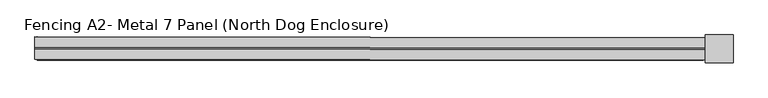
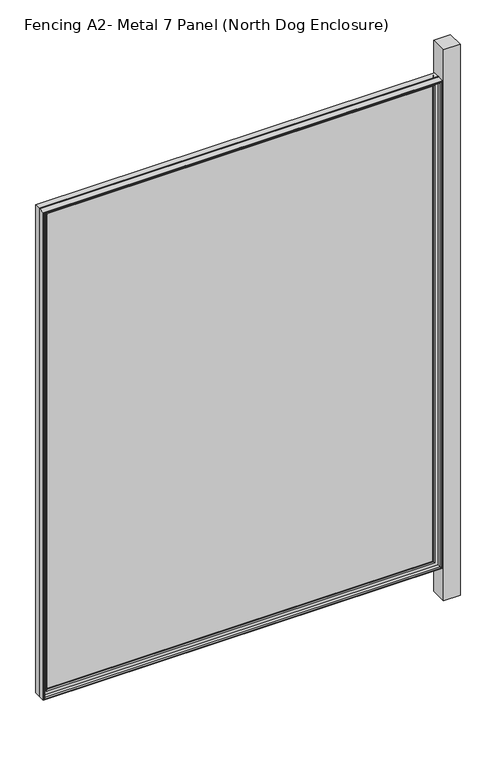
"""IFC4 building model written with IfcOpenShell, lengths in millimetres: railing geometry, Fencing A2- Metal 7 Panel (North Dog Enclosure)."""

from ifc_helpers import new_model, si_unit, frame, origin, place, context, project, spatial, polyline, ellipse_curve, outline, extrude, source, transform, mapped, element, save
from ifc_brep_helpers import plane_surface, cylinder_surface, advanced_brep


def fencing_a2_metal_7_panel_north_dog_enclosure_6a56d0d4(model_context):
    return source(origin(), model_context, "Body", "SolidModel", [
        advanced_brep(
        [(28332.8317404, 2298.5933654, 908.05), (28336.010507, 2301.7645943, 911.225), (28336.010507, 2301.7645943, -657.225), (28332.8317404, 2298.5933654, -654.05), (27123.1613615, 2303.2042828, -657.225), (27126.3325904, 2300.0255162, -654.05), (27119.9863637, 2303.2080516, -660.4), (27119.9863637, 2303.2080516, 914.4), (28339.1855048, 2301.7608255, 914.4), (28339.1855048, 2301.7608255, -660.4), (27123.1613615, 2303.2042828, 911.225), (27126.3325904, 2300.0255162, 908.05), (28332.820434, 2289.0683721, -654.05), (27126.321284, 2290.5005229, -654.05), (28332.820434, 2289.0683721, 908.05), (27126.321284, 2290.5005229, 908.05), (28323.2954407, 2289.0796785, -644.525), (28323.2954407, 2289.0796785, 898.525), (27135.8462773, 2290.4892165, 898.525), (27135.8462773, 2290.4892165, -644.525), (28320.1166741, 2285.9084496, 895.35), (28320.1166741, 2285.9084496, -641.35), (27139.0175062, 2287.3104499, -641.35), (27139.0175062, 2287.3104499, 895.35), (28320.1129053, 2282.7334518, -641.35), (27139.0137374, 2284.1354521, -641.35), (28320.1129053, 2282.7334518, 895.35), (27139.0137374, 2284.1354521, 895.35), (28339.1628919, 2282.7108389, -660.4), (28339.1628919, 2282.7108389, 914.4), (27119.9637508, 2284.158065, 914.4), (27119.9637508, 2284.158065, -660.4)],
        [
            (0, 1, ellipse_curve(frame((28336.0067382, 2298.5895966, 911.225), z_axis=(0.7071062830160321, -0.0008393564505195757, -0.7071067811865475), x_axis=(0.707106283016032, -0.0008393564505195756, 0.7071067811865476)), 4.4901281, 3.175)),
            (1, 2),
            (2, 3, ellipse_curve(frame((28336.0067382, 2298.5895966, -657.225), z_axis=(0.7071062830160321, -0.0008393564505195757, 0.7071067811865475), x_axis=(-0.707106283016032, 0.0008393564505195756, 0.7071067811865476)), 4.4901281, 3.175)),
            (3, 0),
            (2, 4),
            (4, 5, ellipse_curve(frame((27123.1575927, 2300.029285, -657.225), z_axis=(0.7071062830160321, -0.0008393564505195757, -0.7071067811865475), x_axis=(0.7071062830160322, -0.0008393564505195758, 0.7071067811865474)), 4.4901281, 3.175)),
            (5, 3),
            (6, 7),
            (7, 8),
            (8, 9),
            (9, 6),
            (1, 10),
            (10, 4),
            (10, 11, ellipse_curve(frame((27123.1575927, 2300.029285, 911.225), z_axis=(-0.7071062830160321, 0.0008393564505195757, -0.7071067811865475), x_axis=(0.707106283016032, -0.0008393564505195756, -0.7071067811865476)), 4.4901281, 3.175)),
            (11, 5),
            (12, 3),
            (5, 13),
            (13, 12),
            (14, 0),
            (12, 14),
            (11, 15),
            (15, 13),
            (15, 14),
            (16, 17),
            (17, 18),
            (18, 19),
            (19, 16),
            (20, 17, ellipse_curve(frame((28323.2916719, 2285.9046808, 898.525), z_axis=(0.7071062830160321, -0.0008393564505195757, -0.7071067811865475), x_axis=(0.707106283016032, -0.0008393564505195756, 0.7071067811865476)), 4.4901281, 3.175)),
            (16, 21, ellipse_curve(frame((28323.2916719, 2285.9046808, -644.525), z_axis=(0.7071062830160321, -0.0008393564505195757, 0.7071067811865475), x_axis=(-0.707106283016032, 0.0008393564505195756, 0.7071067811865476)), 4.4901281, 3.175)),
            (21, 20),
            (19, 22, ellipse_curve(frame((27135.8425084, 2287.3142187, -644.525), z_axis=(0.7071062830160321, -0.0008393564505195757, -0.7071067811865475), x_axis=(0.7071062830160322, -0.0008393564505195758, 0.7071067811865474)), 4.4901281, 3.175)),
            (22, 21),
            (18, 23, ellipse_curve(frame((27135.8425084, 2287.3142187, 898.525), z_axis=(-0.7071062830160321, 0.0008393564505195757, -0.7071067811865475), x_axis=(0.707106283016032, -0.0008393564505195756, -0.7071067811865476)), 4.4901281, 3.175)),
            (23, 22),
            (24, 21),
            (22, 25),
            (25, 24),
            (26, 20),
            (24, 26),
            (23, 27),
            (27, 25),
            (28, 29),
            (29, 30),
            (30, 31),
            (31, 28),
            (27, 26),
            (8, 29),
            (28, 9),
            (31, 6),
            (30, 7),
            (0, 11),
            (20, 23),
        ],
        [
            cylinder_surface(frame((28336.0067382, 2298.5895966, 914.4), z_axis=(0.0, 0.0, 1.0), x_axis=(0.9999992954805008, -0.0011870292759906809, 0.0)), 3.175),
            cylinder_surface(frame((28339.181736, 2298.5858277, -657.225), z_axis=(0.9999992954805008, -0.0011870292759901258, 0.0), x_axis=(0.0, 0.0, -1.0)), 3.175),
            plane_surface(frame((28339.1855048, 2301.7608255, 914.4), z_axis=(0.0011870292759906809, 0.9999992954805008, 0.0), x_axis=(0.0, 0.0, -1.0))),
            cylinder_surface(frame((27123.1575927, 2300.029285, -660.4), z_axis=(0.0, 0.0, -1.0), x_axis=(-0.9999992954805008, 0.0011870292759895706, 0.0)), 3.175),
            plane_surface(frame((28332.8317404, 2298.5933654, -654.05), z_axis=(0.0, 0.0, 1.0), x_axis=(-0.9999992954805008, 0.0011870292759901305, 0.0))),
            plane_surface(frame((28332.8317404, 2298.5933654, 908.05), z_axis=(-0.9999992954805008, 0.0011870292759906809, 0.0), x_axis=(0.0, 0.0, -1.0))),
            plane_surface(frame((27126.3325904, 2300.0255162, -654.05), z_axis=(0.9999992954805008, -0.0011870292759895706, 0.0), x_axis=(0.0, 0.0, 1.0))),
            plane_surface(frame((28332.820434, 2289.0683721, 908.05), z_axis=(0.0011870292759906809, 0.9999992954805008, 0.0), x_axis=(0.0, 0.0, -1.0))),
            cylinder_surface(frame((28323.2916719, 2285.9046808, 914.4), z_axis=(0.0, 0.0, 1.0), x_axis=(0.9999992954805008, -0.0011870292759906809, 0.0)), 3.175),
            cylinder_surface(frame((28339.1666607, 2285.8858367, -644.525), z_axis=(0.9999992954805008, -0.0011870292759901258, 0.0), x_axis=(0.0, 0.0, -1.0)), 3.175),
            cylinder_surface(frame((27135.8425084, 2287.3142187, -660.4), z_axis=(0.0, 0.0, -1.0), x_axis=(-0.9999992954805008, 0.0011870292759895706, 0.0)), 3.175),
            plane_surface(frame((28320.1166741, 2285.9084496, -641.35), z_axis=(0.0, 0.0, 1.0), x_axis=(-0.9999992954805008, 0.001187029275990133, 0.0))),
            plane_surface(frame((28320.1166741, 2285.9084496, 895.35), z_axis=(-0.9999992954805008, 0.0011870292759906809, 0.0), x_axis=(0.0, 0.0, -1.0))),
            plane_surface(frame((27139.0175062, 2287.3104499, -641.35), z_axis=(0.9999992954805008, -0.0011870292759895706, 0.0), x_axis=(0.0, 0.0, 1.0))),
            plane_surface(frame((28320.1129053, 2282.7334518, 895.35), z_axis=(-0.0011870292759906809, -0.9999992954805008, 0.0), x_axis=(0.0, 0.0, -1.0))),
            plane_surface(frame((28339.1628919, 2282.7108389, 914.4), z_axis=(0.9999992954805008, -0.0011870292759906809, 0.0), x_axis=(0.0, 0.0, -1.0))),
            plane_surface(frame((28339.1628919, 2282.7108389, -660.4), z_axis=(0.0, 0.0, -1.0), x_axis=(-0.9999992954805008, 0.0011870292759901258, 0.0))),
            plane_surface(frame((27119.9637508, 2284.158065, -660.4), z_axis=(-0.9999992954805008, 0.0011870292759895706, 0.0), x_axis=(0.0, 0.0, 1.0))),
            cylinder_surface(frame((27119.9825949, 2300.0330538, 911.225), z_axis=(-0.9999992954805008, 0.0011870292759901258, 0.0), x_axis=(0.0, 0.0, 1.0)), 3.175),
            plane_surface(frame((27126.3325904, 2300.0255162, 908.05), z_axis=(0.0, 0.0, -1.0), x_axis=(0.9999992954805008, -0.0011870292759901268, 0.0))),
            cylinder_surface(frame((27119.9675196, 2287.3330628, 898.525), z_axis=(-0.9999992954805008, 0.0011870292759901258, 0.0), x_axis=(0.0, 0.0, 1.0)), 3.175),
            plane_surface(frame((27139.0175062, 2287.3104499, 895.35), z_axis=(0.0, 0.0, -1.0), x_axis=(0.9999992954805008, -0.001187029275990133, 0.0))),
            plane_surface(frame((27119.9637508, 2284.158065, 914.4), z_axis=(0.0, 0.0, 1.0), x_axis=(0.9999992954805008, -0.0011870292759901258, 0.0))),
        ],
        [
            (0, [[1, 2, 3, 4]]),
            (1, [[-3, 5, 6, 7]]),
            (2, [[8, 9, 10, 11], [-2, 12, 13, -5]]),
            (3, [[-6, -13, 14, 15]]),
            (4, [[16, -7, 17, 18]]),
            (5, [[19, -4, -16, 20]]),
            (6, [[-17, -15, 21, 22]]),
            (7, [[-22, 23, -20, -18], [24, 25, 26, 27]]),
            (8, [[28, -24, 29, 30]]),
            (9, [[-29, -27, 31, 32]]),
            (10, [[-31, -26, 33, 34]]),
            (11, [[35, -32, 36, 37]]),
            (12, [[38, -30, -35, 39]]),
            (13, [[-36, -34, 40, 41]]),
            (14, [[42, 43, 44, 45], [-41, 46, -39, -37]]),
            (15, [[47, -42, 48, -10]]),
            (16, [[-48, -45, 49, -11]]),
            (17, [[-49, -44, 50, -8]]),
            (18, [[-14, -12, -1, 51]]),
            (19, [[-21, -51, -19, -23]]),
            (20, [[-33, -25, -28, 52]]),
            (21, [[-40, -52, -38, -46]]),
            (22, [[-50, -43, -47, -9]]),
        ],
    ),
        advanced_brep(
        [(28339.159123, 2279.5358412, 914.4), (28339.1365101, 2260.4858546, 914.4), (28339.1365101, 2260.4858546, -660.4), (28339.159123, 2279.5358412, -660.4), (27119.9373691, 2261.9330807, -660.4), (27119.959982, 2280.9830673, -660.4), (27119.9373691, 2261.9330807, 914.4), (27123.1123668, 2261.9293119, -657.225), (27123.1123668, 2261.9293119, 911.225), (28335.9615124, 2260.4896234, 911.225), (28335.9615124, 2260.4896234, -657.225), (27119.959982, 2280.9830673, 914.4), (28320.1091365, 2279.5584541, -641.35), (28320.1091365, 2279.5584541, 895.35), (27139.0099686, 2280.9604543, 895.35), (27139.0099686, 2280.9604543, -641.35), (28320.1053676, 2276.3834563, 895.35), (28320.1053676, 2276.3834563, -641.35), (27139.0061998, 2277.7854566, -641.35), (27139.0061998, 2277.7854566, 895.35), (28323.2765966, 2273.2046897, -644.525), (27135.8274332, 2274.6142276, -644.525), (28323.2765966, 2273.2046897, 898.525), (27135.8274332, 2274.6142276, 898.525), (28332.8015899, 2273.1933833, -654.05), (28332.8015899, 2273.1933833, 908.05), (27126.3024399, 2274.6255341, 908.05), (27126.3024399, 2274.6255341, -654.05), (28332.7902834, 2263.66839, 908.05), (28332.7902834, 2263.66839, -654.05), (27126.2911334, 2265.1005408, -654.05), (27126.2911334, 2265.1005408, 908.05)],
        [
            (0, 1),
            (1, 2),
            (2, 3),
            (3, 0),
            (2, 4),
            (4, 5),
            (5, 3),
            (1, 6),
            (6, 4),
            (7, 8),
            (8, 9),
            (9, 10),
            (10, 7),
            (6, 11),
            (11, 5),
            (11, 0),
            (12, 13),
            (13, 14),
            (14, 15),
            (15, 12),
            (16, 13),
            (12, 17),
            (17, 16),
            (15, 18),
            (18, 17),
            (14, 19),
            (19, 18),
            (20, 17, ellipse_curve(frame((28323.2803654, 2276.3796875, -644.525), z_axis=(-0.7071062830160321, 0.0008393564505195757, -0.7071067811865475), x_axis=(0.7071062830160322, -0.0008393564505195758, -0.7071067811865474)), 4.4901281, 3.175)),
            (18, 21, ellipse_curve(frame((27135.831202, 2277.7892254, -644.525), z_axis=(0.7071062830160321, -0.0008393564505195757, -0.7071067811865475), x_axis=(0.7071062830160322, -0.0008393564505195758, 0.7071067811865474)), 4.4901281, 3.175)),
            (21, 20),
            (22, 16, ellipse_curve(frame((28323.2803654, 2276.3796875, 898.525), z_axis=(0.7071062830160321, -0.0008393564505195757, -0.7071067811865475), x_axis=(0.707106283016032, -0.0008393564505195756, 0.7071067811865476)), 4.4901281, 3.175)),
            (20, 22),
            (19, 23, ellipse_curve(frame((27135.831202, 2277.7892254, 898.525), z_axis=(-0.7071062830160321, 0.0008393564505195757, -0.7071067811865475), x_axis=(0.707106283016032, -0.0008393564505195756, -0.7071067811865476)), 4.4901281, 3.175)),
            (23, 21),
            (24, 25),
            (25, 26),
            (26, 27),
            (27, 24),
            (23, 22),
            (28, 25),
            (24, 29),
            (29, 28),
            (27, 30),
            (30, 29),
            (26, 31),
            (31, 30),
            (10, 29, ellipse_curve(frame((28335.9652812, 2263.6646212, -657.225), z_axis=(-0.7071062830160321, 0.0008393564505195757, -0.7071067811865475), x_axis=(0.7071062830160322, -0.0008393564505195758, -0.7071067811865474)), 4.4901281, 3.175)),
            (30, 7, ellipse_curve(frame((27123.1161357, 2265.1043096, -657.225), z_axis=(0.7071062830160321, -0.0008393564505195757, -0.7071067811865475), x_axis=(0.7071062830160322, -0.0008393564505195758, 0.7071067811865474)), 4.4901281, 3.175)),
            (9, 28, ellipse_curve(frame((28335.9652812, 2263.6646212, 911.225), z_axis=(0.7071062830160321, -0.0008393564505195757, -0.7071067811865475), x_axis=(0.707106283016032, -0.0008393564505195756, 0.7071067811865476)), 4.4901281, 3.175)),
            (31, 8, ellipse_curve(frame((27123.1161357, 2265.1043096, 911.225), z_axis=(-0.7071062830160321, 0.0008393564505195757, -0.7071067811865475), x_axis=(0.707106283016032, -0.0008393564505195756, -0.7071067811865476)), 4.4901281, 3.175)),
            (16, 19),
            (28, 31),
        ],
        [
            plane_surface(frame((28339.1365101, 2260.4858546, 914.4), z_axis=(0.9999992954805008, -0.0011870292759906809, 0.0), x_axis=(0.0, 0.0, -1.0))),
            plane_surface(frame((28339.1365101, 2260.4858546, -660.4), z_axis=(0.0, 0.0, -1.0), x_axis=(-0.9999992954805008, 0.0011870292759901258, 0.0))),
            plane_surface(frame((28335.9615124, 2260.4896234, 911.225), z_axis=(-0.0011870292759906809, -0.9999992954805008, 0.0), x_axis=(0.0, 0.0, -1.0))),
            plane_surface(frame((27119.9373691, 2261.9330807, -660.4), z_axis=(-0.9999992954805008, 0.0011870292759895706, 0.0), x_axis=(0.0, 0.0, 1.0))),
            plane_surface(frame((28339.159123, 2279.5358412, 914.4), z_axis=(0.0011870292759906809, 0.9999992954805008, 0.0), x_axis=(0.0, 0.0, -1.0))),
            plane_surface(frame((28320.1091365, 2279.5584541, 895.35), z_axis=(-0.9999992954805008, 0.0011870292759906809, 0.0), x_axis=(0.0, 0.0, -1.0))),
            plane_surface(frame((28320.1091365, 2279.5584541, -641.35), z_axis=(0.0, 0.0, 1.0), x_axis=(-0.9999992954805008, 0.001187029275990133, 0.0))),
            plane_surface(frame((27139.0099686, 2280.9604543, -641.35), z_axis=(0.9999992954805008, -0.0011870292759895706, 0.0), x_axis=(0.0, 0.0, 1.0))),
            cylinder_surface(frame((28339.1553542, 2276.3608434, -644.525), z_axis=(0.9999992954805008, -0.0011870292759901258, 0.0), x_axis=(0.0, 0.0, -1.0)), 3.175),
            cylinder_surface(frame((28323.2803654, 2276.3796875, 914.4), z_axis=(0.0, 0.0, 1.0), x_axis=(0.9999992954805008, -0.0011870292759906809, 0.0)), 3.175),
            cylinder_surface(frame((27135.831202, 2277.7892254, -660.4), z_axis=(0.0, 0.0, -1.0), x_axis=(-0.9999992954805008, 0.0011870292759895706, 0.0)), 3.175),
            plane_surface(frame((28323.2765966, 2273.2046897, 898.525), z_axis=(-0.0011870292759906809, -0.9999992954805008, 0.0), x_axis=(0.0, 0.0, -1.0))),
            plane_surface(frame((28332.8015899, 2273.1933833, 908.05), z_axis=(-0.9999992954805008, 0.0011870292759906809, 0.0), x_axis=(0.0, 0.0, -1.0))),
            plane_surface(frame((28332.8015899, 2273.1933833, -654.05), z_axis=(0.0, 0.0, 1.0), x_axis=(-0.9999992954805008, 0.0011870292759901268, 0.0))),
            plane_surface(frame((27126.3024399, 2274.6255341, -654.05), z_axis=(0.9999992954805008, -0.0011870292759895706, 0.0), x_axis=(0.0, 0.0, 1.0))),
            cylinder_surface(frame((28339.140279, 2263.6608523, -657.225), z_axis=(0.9999992954805008, -0.0011870292759901258, 0.0), x_axis=(0.0, 0.0, -1.0)), 3.175),
            cylinder_surface(frame((28335.9652812, 2263.6646212, 914.4), z_axis=(0.0, 0.0, 1.0), x_axis=(0.9999992954805008, -0.0011870292759906809, 0.0)), 3.175),
            cylinder_surface(frame((27123.1161357, 2265.1043096, -660.4), z_axis=(0.0, 0.0, -1.0), x_axis=(-0.9999992954805008, 0.0011870292759895706, 0.0)), 3.175),
            plane_surface(frame((27119.9373691, 2261.9330807, 914.4), z_axis=(0.0, 0.0, 1.0), x_axis=(0.9999992954805008, -0.0011870292759901258, 0.0))),
            plane_surface(frame((27139.0099686, 2280.9604543, 895.35), z_axis=(0.0, 0.0, -1.0), x_axis=(0.9999992954805008, -0.001187029275990133, 0.0))),
            cylinder_surface(frame((27119.9562132, 2277.8080695, 898.525), z_axis=(-0.9999992954805008, 0.0011870292759901258, 0.0), x_axis=(0.0, 0.0, 1.0)), 3.175),
            plane_surface(frame((27126.3024399, 2274.6255341, 908.05), z_axis=(0.0, 0.0, -1.0), x_axis=(0.9999992954805008, -0.0011870292759901268, 0.0))),
            cylinder_surface(frame((27119.9411379, 2265.1080784, 911.225), z_axis=(-0.9999992954805008, 0.0011870292759901258, 0.0), x_axis=(0.0, 0.0, 1.0)), 3.175),
        ],
        [
            (0, [[1, 2, 3, 4]]),
            (1, [[-3, 5, 6, 7]]),
            (2, [[-2, 8, 9, -5], [10, 11, 12, 13]]),
            (3, [[-6, -9, 14, 15]]),
            (4, [[-15, 16, -4, -7], [17, 18, 19, 20]]),
            (5, [[21, -17, 22, 23]]),
            (6, [[-22, -20, 24, 25]]),
            (7, [[-24, -19, 26, 27]]),
            (8, [[28, -25, 29, 30]]),
            (9, [[31, -23, -28, 32]]),
            (10, [[-29, -27, 33, 34]]),
            (11, [[35, 36, 37, 38], [-34, 39, -32, -30]]),
            (12, [[40, -35, 41, 42]]),
            (13, [[-41, -38, 43, 44]]),
            (14, [[-43, -37, 45, 46]]),
            (15, [[47, -44, 48, -13]]),
            (16, [[49, -42, -47, -12]]),
            (17, [[-48, -46, 50, -10]]),
            (18, [[-14, -8, -1, -16]]),
            (19, [[-26, -18, -21, 51]]),
            (20, [[-33, -51, -31, -39]]),
            (21, [[-45, -36, -40, 52]]),
            (22, [[-50, -52, -49, -11]]),
        ],
    ),
        extrude(outline(polyline([(28339.159123, 2279.5358412), (27119.959982, 2280.9830673), (27119.9637508, 2284.158065), (28339.1628919, 2282.7108389), (28339.159123, 2279.5358412)])), frame((0.0, 0.0, -660.4), z_axis=(0.0, 0.0, 1.0), x_axis=(1.0, 0.0, 0.0)), (0.0, 0.0, 1.0), 1574.8),
        extrude(outline(polyline([(28389.9911222, 2306.4630211), (28389.9308211, 2255.6630569), (28339.1308569, 2255.7233579), (28339.191158, 2306.5233221), (28389.9911222, 2306.4630211)])), frame((0.0, 0.0, -762.0), z_axis=(0.0, 0.0, 1.0), x_axis=(1.0, 0.0, 0.0)), (0.0, 0.0, 1.0), 1778.0),
    ])


if __name__ == "__main__":
    model = new_model("IFC4")
    model_context = context("Model", 3, world=origin())
    ifc_project = project(units=[si_unit("LENGTHUNIT", "METRE", prefix="MILLI")], contexts=[model_context])
    site = spatial("IfcSite", under=ifc_project)
    building = spatial("IfcBuilding", under=site)
    placement = place(None, origin())
    fencing_a2_metal_7_panel_north_dog_enclosure_shape = fencing_a2_metal_7_panel_north_dog_enclosure_6a56d0d4(model_context)
    element("IfcRailing", 1, ObjectType="Fencing A2- Metal 7 Panel (North Dog Enclosure)", at=placement, inside=building, context=model_context, shape_type="MappedRepresentation", body=[
        mapped(fencing_a2_metal_7_panel_north_dog_enclosure_shape, transform((0.0, 0.0, 0.0), x_axis=(1.0, 0.0, 0.0), y_axis=(0.0, 1.0, 0.0), z_axis=(0.0, 0.0, 1.0))),
    ])
    save(model, "model.ifc")
